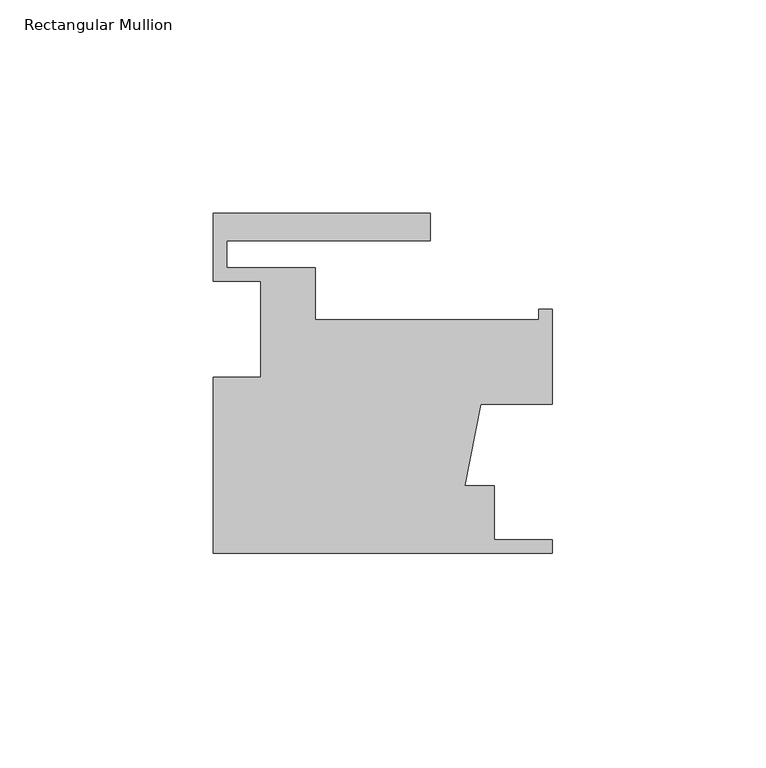
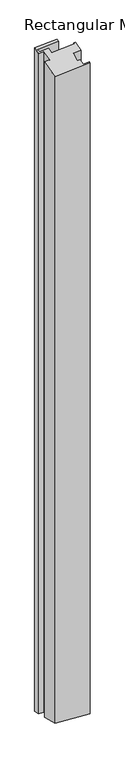
"""IFC4 building model written with IfcOpenShell, lengths in millimetres: member geometry, Rectangular Mullion."""

from ifc_helpers import new_model, si_unit, origin, place, context, project, spatial, faceted_brep, source, transform, mapped, element, save


def rectangular_mullion_7845500c(model_context):
    return source(origin(), model_context, "Body", "Brep", [
        faceted_brep([(0.0, -41.3742187, -10.7325429), (-79.375, -41.3742187, -16.0616298), (-79.375, -41.3742187, -1561.6992692), (0.0, -41.3742187, -1567.028356), (0.0, -38.1992187, -9.9089425), (0.0, -38.1992187, -1567.8519564), (-13.589, -38.1992187, -10.8212822), (-13.589, -38.1992187, -1566.9396168), (-13.589, -25.4992187, -7.5268805), (-13.589, -25.4992187, -1570.2340184), (-20.4645725, -25.4992187, -7.9884934), (-20.4645725, -25.4992187, -1569.7724055), (-16.7868047, -6.4492187, -2.7999725), (-16.7868047, -6.4492187, -1574.9609264), (0.0, -6.4492187, -1.6729383), (0.0, -6.4492187, -1576.0879606), (0.0, 15.7757813, 4.0922646), (0.0, 15.7757813, -1581.8531635), (-3.175, 15.7757813, 3.8791011), (-3.175, 15.7757813, -1581.64), (-3.175, 13.3881813, 3.2597536), (-3.175, 13.3881813, -1581.0206525), (-55.5498, 13.3881813, -0.2565911), (-55.5498, 13.3881813, -1577.5043079), (-55.5498, 25.5547813, 2.8994457), (-55.5498, 25.5547813, -1580.6603447), (-76.2, 25.5547813, 1.5130305), (-76.2, 25.5547813, -1579.2739294), (-76.2, 31.9047813, 3.1602313), (-76.2, 31.9047813, -1580.9211303), (-28.575, 31.9047813, 6.3576834), (-28.575, 31.9047813, -1584.1185824), (-28.575, 38.2547813, 8.0048843), (-28.575, 38.2547813, -1585.7657832), (-79.375, 38.2547813, 4.5942687), (-79.375, 38.2547813, -1582.3551676), (-79.375, 22.3797813, 0.4762666), (-79.375, 22.3797813, -1578.2371655), (-68.2498, 22.3797813, 1.2231914), (-68.2498, 22.3797813, -1578.9840904), (-68.2498, -0.0992187, -4.6078995), (-68.2498, -0.0992187, -1573.1529994), (-79.375, -0.0992187, -5.3548243), (-79.375, -0.0992187, -1572.4060746)], [[[0, 1, 2, 3]], [[4, 0, 3, 5]], [[6, 4, 5, 7]], [[8, 6, 7, 9]], [[10, 8, 9, 11]], [[12, 10, 11, 13]], [[14, 12, 13, 15]], [[16, 14, 15, 17]], [[18, 16, 17, 19]], [[20, 18, 19, 21]], [[22, 20, 21, 23]], [[24, 22, 23, 25]], [[26, 24, 25, 27]], [[28, 26, 27, 29]], [[30, 28, 29, 31]], [[32, 30, 31, 33]], [[34, 32, 33, 35]], [[36, 34, 35, 37]], [[38, 36, 37, 39]], [[40, 38, 39, 41]], [[42, 40, 41, 43]], [[1, 42, 43, 2]], [[1, 0, 4, 6, 8, 10, 12, 14, 16, 18, 20, 22, 24, 26, 28, 30, 32, 34, 36, 38, 40, 42]], [[2, 43, 41, 39, 37, 35, 33, 31, 29, 27, 25, 23, 21, 19, 17, 15, 13, 11, 9, 7, 5, 3]]]),
    ])


if __name__ == "__main__":
    model = new_model("IFC4")
    model_context = context("Model", 3, world=origin())
    ifc_project = project(units=[si_unit("LENGTHUNIT", "METRE", prefix="MILLI")], contexts=[model_context])
    site = spatial("IfcSite", under=ifc_project)
    building = spatial("IfcBuilding", under=site)
    placement = place(None, origin())
    rectangular_mullion_shape = rectangular_mullion_7845500c(model_context)
    element("IfcMember", 1, ObjectType="Rectangular Mullion", at=placement, inside=building, context=model_context, shape_type="MappedRepresentation", body=[
        mapped(rectangular_mullion_shape, transform((0.0, 0.0, 0.0), x_axis=(1.0, 0.0, 0.0), y_axis=(0.0, 1.0, 0.0), z_axis=(0.0, 0.0, 1.0))),
    ])
    save(model, "model.ifc")
